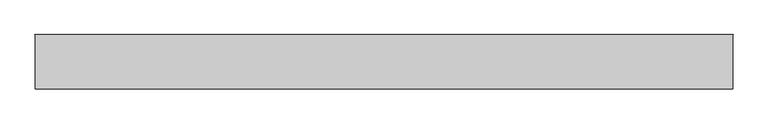
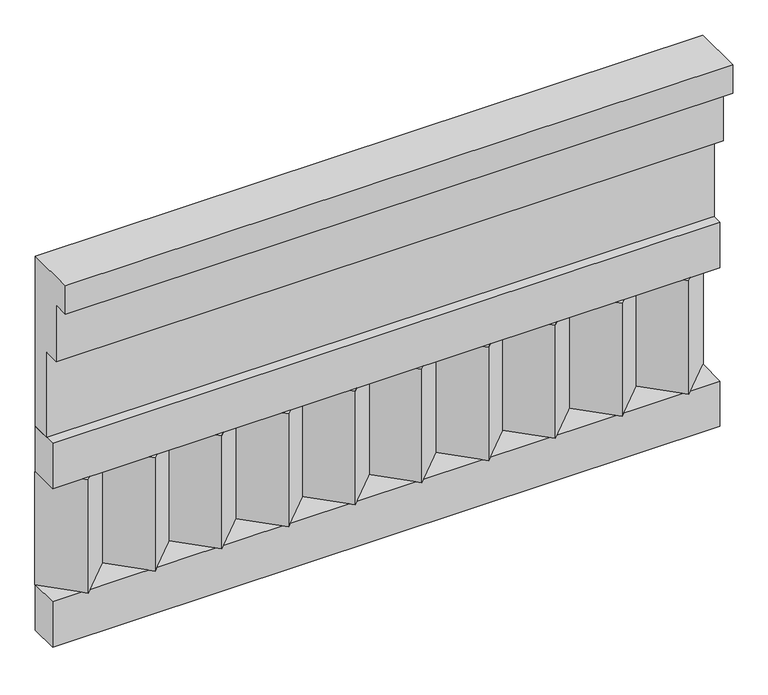
"""IFC4 building model written with IfcOpenShell, lengths in millimetres: railing geometry."""

from ifc_helpers import new_model, si_unit, frame, origin, place, context, project, spatial, polyline, outline, extrude, source, transform, mapped, element, save


def railing_0a43ef97(model_context):
    return source(origin(), model_context, "Body", "SweptSolid", [
        extrude(outline(polyline([(-16816.8920513, 25100.0), (-16816.8920513, 24650.0), (-16866.8920513, 24650.0), (-16866.8920513, 24875.0), (-16906.8920513, 24875.0), (-16906.8920513, 25025.0), (-16946.8920513, 25025.0), (-16946.8920513, 25100.0), (-16816.8920513, 25100.0)])), frame((36460.0112841, 0.0, 0.0), z_axis=(1.0, 0.0, 0.0), x_axis=(0.0, 1.0, 0.0)), (0.0, 0.0, 1.0), 1670.0),
        extrude(outline(polyline([(36460.0112841, -16891.8920513), (36460.0112841, -16816.8920513), (38130.0112841, -16816.8920513), (38130.0112841, -16891.8920513), (36460.0112841, -16891.8920513)])), frame((0.0, 0.0, 24530.0), z_axis=(0.0, 0.0, 1.0), x_axis=(1.0, 0.0, 0.0)), (0.0, 0.0, 1.0), 120.0),
        extrude(outline(polyline([(36460.0112841, -16891.8920513), (36460.0112841, -16816.8920513), (38130.0112841, -16816.8920513), (38130.0112841, -16891.8920513), (36460.0112841, -16891.8920513)])), frame((0.0, 0.0, 24110.0), z_axis=(0.0, 0.0, 1.0), x_axis=(1.0, 0.0, 0.0)), (0.0, 0.0, 1.0), 120.0),
        extrude(outline(polyline([(38046.5112841, -16901.7448651), (37961.6584704, -16816.8920513), (38131.3640978, -16816.8920513), (38046.5112841, -16901.7448651)])), frame((0.0, 0.0, 24230.0), z_axis=(0.0, 0.0, 1.0), x_axis=(1.0, 0.0, 0.0)), (0.0, 0.0, 1.0), 300.0),
        extrude(outline(polyline([(37879.5112841, -16901.7448651), (37794.6584704, -16816.8920513), (37964.3640978, -16816.8920513), (37879.5112841, -16901.7448651)])), frame((0.0, 0.0, 24230.0), z_axis=(0.0, 0.0, 1.0), x_axis=(1.0, 0.0, 0.0)), (0.0, 0.0, 1.0), 300.0),
        extrude(outline(polyline([(37712.5112841, -16901.7448651), (37627.6584704, -16816.8920513), (37797.3640978, -16816.8920513), (37712.5112841, -16901.7448651)])), frame((0.0, 0.0, 24230.0), z_axis=(0.0, 0.0, 1.0), x_axis=(1.0, 0.0, 0.0)), (0.0, 0.0, 1.0), 300.0),
        extrude(outline(polyline([(37545.5112841, -16901.7448651), (37460.6584704, -16816.8920513), (37630.3640978, -16816.8920513), (37545.5112841, -16901.7448651)])), frame((0.0, 0.0, 24230.0), z_axis=(0.0, 0.0, 1.0), x_axis=(1.0, 0.0, 0.0)), (0.0, 0.0, 1.0), 300.0),
        extrude(outline(polyline([(37378.5112841, -16901.7448651), (37293.6584704, -16816.8920513), (37463.3640978, -16816.8920513), (37378.5112841, -16901.7448651)])), frame((0.0, 0.0, 24230.0), z_axis=(0.0, 0.0, 1.0), x_axis=(1.0, 0.0, 0.0)), (0.0, 0.0, 1.0), 300.0),
        extrude(outline(polyline([(37211.5112841, -16901.7448651), (37126.6584704, -16816.8920513), (37296.3640978, -16816.8920513), (37211.5112841, -16901.7448651)])), frame((0.0, 0.0, 24230.0), z_axis=(0.0, 0.0, 1.0), x_axis=(1.0, 0.0, 0.0)), (0.0, 0.0, 1.0), 300.0),
        extrude(outline(polyline([(37044.5112841, -16901.7448651), (36959.6584704, -16816.8920513), (37129.3640978, -16816.8920513), (37044.5112841, -16901.7448651)])), frame((0.0, 0.0, 24230.0), z_axis=(0.0, 0.0, 1.0), x_axis=(1.0, 0.0, 0.0)), (0.0, 0.0, 1.0), 300.0),
        extrude(outline(polyline([(36877.5112841, -16901.7448651), (36792.6584704, -16816.8920513), (36962.3640978, -16816.8920513), (36877.5112841, -16901.7448651)])), frame((0.0, 0.0, 24230.0), z_axis=(0.0, 0.0, 1.0), x_axis=(1.0, 0.0, 0.0)), (0.0, 0.0, 1.0), 300.0),
        extrude(outline(polyline([(36710.5112841, -16901.7448651), (36625.6584704, -16816.8920513), (36795.3640978, -16816.8920513), (36710.5112841, -16901.7448651)])), frame((0.0, 0.0, 24230.0), z_axis=(0.0, 0.0, 1.0), x_axis=(1.0, 0.0, 0.0)), (0.0, 0.0, 1.0), 300.0),
        extrude(outline(polyline([(36543.5112841, -16901.7448651), (36458.6584704, -16816.8920513), (36628.3640978, -16816.8920513), (36543.5112841, -16901.7448651)])), frame((0.0, 0.0, 24230.0), z_axis=(0.0, 0.0, 1.0), x_axis=(1.0, 0.0, 0.0)), (0.0, 0.0, 1.0), 300.0),
    ])


if __name__ == "__main__":
    model = new_model("IFC4")
    model_context = context("Model", 3, world=origin())
    ifc_project = project(units=[si_unit("LENGTHUNIT", "METRE", prefix="MILLI")], contexts=[model_context])
    site = spatial("IfcSite", under=ifc_project)
    building = spatial("IfcBuilding", under=site)
    placement = place(None, origin())
    railing_shape = railing_0a43ef97(model_context)
    element("IfcRailing", 1, at=placement, inside=building, context=model_context, shape_type="MappedRepresentation", body=[
        mapped(railing_shape, transform((0.0, 0.0, 0.0), x_axis=(1.0, 0.0, 0.0), y_axis=(0.0, 1.0, 0.0), z_axis=(0.0, 0.0, 1.0))),
    ])
    save(model, "model.ifc")
